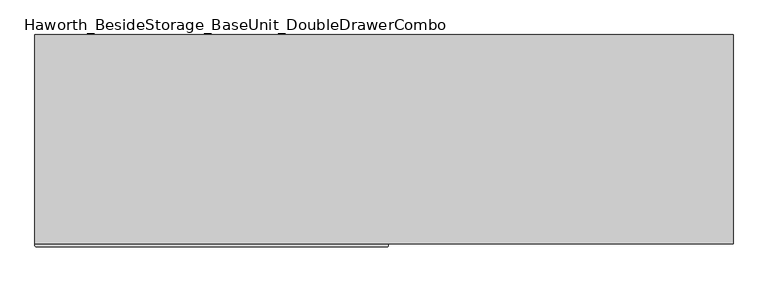
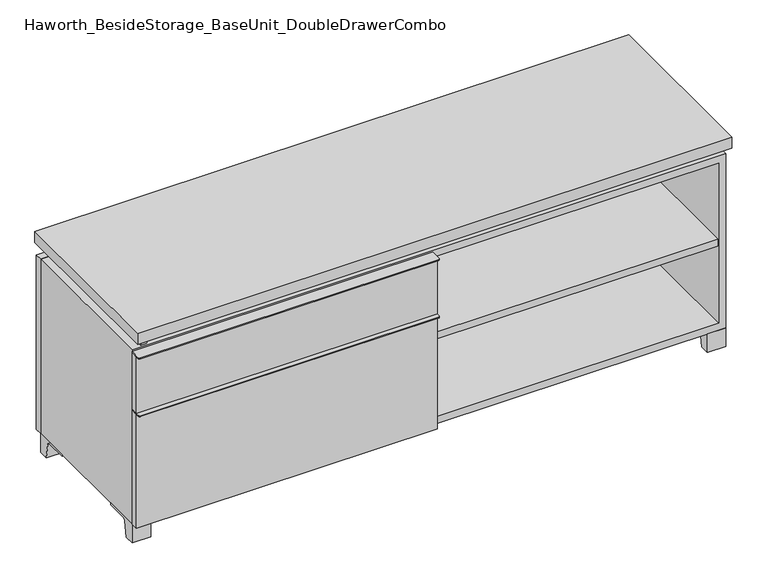
"""IFC4 building model written with IfcOpenShell, lengths in millimetres: furniture geometry, Haworth_BesideStorage_BaseUnit_DoubleDrawerCombo."""

from ifc_helpers import new_model, si_unit, point, frame, frame_2d, origin, place, context, project, spatial, polyline, circle_curve, trimmed, segment, composite_curve, outline, extrude, source, transform, mapped, element, save


def haworth_besidestorage_baseunit_doubledrawercombo_6de5e9db(model_context):
    return source(origin(), model_context, "Body", "SweptSolid", [
        extrude(outline(polyline([(-9.5111094, 234.95), (-9.5111094, -136.525), (-742.9361094, -136.525), (-742.9361094, 234.95), (-9.5111094, 234.95)])), frame((0.0, 0.0, 354.0125), z_axis=(0.0, 0.0, 1.0), x_axis=(1.0, 0.0, 0.0)), (0.0, 0.0, 1.0), 19.05),
        extrude(outline(composite_curve([segment(polyline([(9.5388906, -139.7), (9.5388906, -168.275)]), True, "CONTINUOUS"), segment(trimmed(circle_curve(frame_2d((6.3638906, -168.275)), 3.175), [point((9.5388906, -168.275))], [point((6.3638906, -171.45))], False, "CARTESIAN"), True, "CONTINUOUS"), segment(polyline([(6.3638906, -171.45), (-758.8111094, -171.45)]), True, "CONTINUOUS"), segment(trimmed(circle_curve(frame_2d((-758.8111094, -168.275)), 3.175), [point((-758.8111094, -171.45))], [point((-761.9861094, -168.275))], False, "CARTESIAN"), True, "CONTINUOUS"), segment(polyline([(-761.9861094, -168.275), (-761.9861094, -139.7), (9.5388906, -139.7)]), True, "CONTINUOUS")], self_intersect=False)), frame((0.0, 0.0, 517.525), z_axis=(0.0, 0.0, 1.0), x_axis=(1.0, 0.0, 0.0)), (0.0, 0.0, 1.0), 2.38125),
        extrude(outline(polyline([(9.5388906, -139.7), (9.5388906, -158.75), (-761.9861094, -158.75), (-761.9861094, -139.7), (9.5388906, -139.7)])), frame((0.0, 0.0, 363.5375), z_axis=(0.0, 0.0, 1.0), x_axis=(1.0, 0.0, 0.0)), (0.0, 0.0, 1.0), 153.9875),
        extrude(outline(composite_curve([segment(polyline([(9.5388906, -139.7), (9.5388906, -168.275)]), True, "CONTINUOUS"), segment(trimmed(circle_curve(frame_2d((6.3638906, -168.275)), 3.175), [point((9.5388906, -168.275))], [point((6.3638906, -171.45))], False, "CARTESIAN"), True, "CONTINUOUS"), segment(polyline([(6.3638906, -171.45), (-758.8111094, -171.45)]), True, "CONTINUOUS"), segment(trimmed(circle_curve(frame_2d((-758.8111094, -168.275)), 3.175), [point((-758.8111094, -171.45))], [point((-761.9861094, -168.275))], False, "CARTESIAN"), True, "CONTINUOUS"), segment(polyline([(-761.9861094, -168.275), (-761.9861094, -139.7), (9.5388906, -139.7)]), True, "CONTINUOUS")], self_intersect=False)), frame((0.0, 0.0, 361.15625), z_axis=(0.0, 0.0, 1.0), x_axis=(1.0, 0.0, 0.0)), (0.0, 0.0, 1.0), 2.38125),
        extrude(outline(polyline([(9.5388906, -139.7), (9.5388906, -158.75), (-761.9861094, -158.75), (-761.9861094, -139.7), (9.5388906, -139.7)])), frame((0.0, 0.0, 50.8), z_axis=(0.0, 0.0, 1.0), x_axis=(1.0, 0.0, 0.0)), (0.0, 0.0, 1.0), 310.35625),
        extrude(outline(polyline([(742.9569453, 234.95), (742.9569453, -136.525), (9.5319453, -136.525), (9.5319453, 234.95), (742.9569453, 234.95)])), frame((0.0, 0.0, 277.8125), z_axis=(0.0, 0.0, 1.0), x_axis=(1.0, 0.0, 0.0)), (0.0, 0.0, 1.0), 19.05),
        extrude(outline(composite_curve([segment(polyline([(53.9749864, 0.0), (28.575, 0.0), (28.575, 50.8), (123.825, 50.8), (123.825, 46.0213321), (67.0244655, 46.0213321)]), True, "CONTINUOUS"), segment(trimmed(circle_curve(frame_2d((67.0244655, 39.6713321)), 6.35), [point((67.0244655, 46.0213321))], [point((60.7608641, 40.7152656))], True, "CARTESIAN"), True, "CONTINUOUS"), segment(polyline([(60.7608641, 40.7152656), (53.9749864, 0.0)]), True, "CONTINUOUS")], self_intersect=False)), frame((-23.7986094, 0.0, 0.0), z_axis=(1.0, 0.0, 0.0), x_axis=(0.0, 1.0, 0.0)), (0.0, 0.0, 1.0), 47.625),
        extrude(outline(polyline([(762.0138906, 292.1), (762.0138906, -165.1), (-761.9861094, -165.1), (-761.9861094, 292.1), (762.0138906, 292.1)])), frame((0.0, 0.0, 554.0375), z_axis=(0.0, 0.0, 1.0), x_axis=(1.0, 0.0, 0.0)), (0.0, 0.0, 1.0), 30.1625),
        extrude(outline(composite_curve([segment(polyline([(-114.3000136, 0.0), (-139.7, 0.0), (-139.7, 50.8), (-44.45, 50.8), (-44.45, 46.0213321), (-101.2505345, 46.0213321)]), True, "CONTINUOUS"), segment(trimmed(circle_curve(frame_2d((-101.2505345, 39.6713321)), 6.35), [point((-101.2505345, 46.0213321))], [point((-107.5141359, 40.7152656))], True, "CARTESIAN"), True, "CONTINUOUS"), segment(polyline([(-107.5141359, 40.7152656), (-114.3000136, 0.0)]), True, "CONTINUOUS")], self_intersect=False)), frame((714.3888906, 0.0, 0.0), z_axis=(1.0, 0.0, 0.0), x_axis=(0.0, 1.0, 0.0)), (0.0, 0.0, 1.0), 47.625),
        extrude(outline(composite_curve([segment(polyline([(241.3000136, 0.0), (234.5141359, 40.7152656)]), True, "CONTINUOUS"), segment(trimmed(circle_curve(frame_2d((228.2505345, 39.6713321)), 6.35), [point((234.5141359, 40.7152656))], [point((228.2505345, 46.0213321))], True, "CARTESIAN"), True, "CONTINUOUS"), segment(polyline([(228.2505345, 46.0213321), (171.45, 46.0213321), (171.45, 50.8), (266.7, 50.8), (266.7, 0.0), (241.3000136, 0.0)]), True, "CONTINUOUS")], self_intersect=False)), frame((714.3888906, 0.0, 0.0), z_axis=(1.0, 0.0, 0.0), x_axis=(0.0, 1.0, 0.0)), (0.0, 0.0, 1.0), 47.625),
        extrude(outline(composite_curve([segment(polyline([(-114.3000136, 0.0), (-139.7, 0.0), (-139.7, 50.8), (-44.45, 50.8), (-44.45, 46.0213321), (-101.2505345, 46.0213321)]), True, "CONTINUOUS"), segment(trimmed(circle_curve(frame_2d((-101.2505345, 39.6713321)), 6.35), [point((-101.2505345, 46.0213321))], [point((-107.5141359, 40.7152656))], True, "CARTESIAN"), True, "CONTINUOUS"), segment(polyline([(-107.5141359, 40.7152656), (-114.3000136, 0.0)]), True, "CONTINUOUS")], self_intersect=False)), frame((-761.9861094, 0.0, 0.0), z_axis=(1.0, 0.0, 0.0), x_axis=(0.0, 1.0, 0.0)), (0.0, 0.0, 1.0), 47.625),
        extrude(outline(composite_curve([segment(polyline([(241.3000136, 0.0), (234.5141359, 40.7152656)]), True, "CONTINUOUS"), segment(trimmed(circle_curve(frame_2d((228.2505345, 39.6713321)), 6.35), [point((234.5141359, 40.7152656))], [point((228.2505345, 46.0213321))], True, "CARTESIAN"), True, "CONTINUOUS"), segment(polyline([(228.2505345, 46.0213321), (171.45, 46.0213321), (171.45, 50.8), (266.7, 50.8), (266.7, 0.0), (241.3000136, 0.0)]), True, "CONTINUOUS")], self_intersect=False)), frame((-761.9861094, 0.0, 0.0), z_axis=(1.0, 0.0, 0.0), x_axis=(0.0, 1.0, 0.0)), (0.0, 0.0, 1.0), 47.625),
        extrude(outline(polyline([(-736.5791641, -133.35), (-736.5791641, 234.95), (-720.7041641, 234.95), (-720.7041641, 73.025), (-7.9236094, 73.025), (-7.9236094, 247.65), (7.9513906, 247.65), (7.9513906, 73.025), (720.7111094, 73.025), (720.7111094, 247.65), (736.5861094, 247.65), (736.5861094, -120.65), (720.7111094, -120.65), (720.7111094, 53.975), (7.9513906, 53.975), (7.9513906, -120.65), (-7.9236094, -120.65), (-7.9236094, 53.975), (-720.7041641, 53.975), (-720.7041641, -133.35), (-736.5791641, -133.35)])), frame((0.0, 0.0, 523.875), z_axis=(0.0, 0.0, 1.0), x_axis=(1.0, 0.0, 0.0)), (0.0, 0.0, 1.0), 30.1625),
        extrude(outline(polyline([(9.5388906, 234.95), (9.5388906, -139.7), (-9.5111094, -139.7), (-9.5111094, 234.95), (9.5388906, 234.95)])), frame((0.0, 0.0, 69.85), z_axis=(0.0, 0.0, 1.0), x_axis=(1.0, 0.0, 0.0)), (0.0, 0.0, 1.0), 434.975),
        extrude(outline(polyline([(762.0138906, 266.7), (-761.9861094, 266.7), (-761.9861094, 285.75), (762.0138906, 285.75), (762.0138906, 266.7)])), frame((0.0, 0.0, 50.8), z_axis=(0.0, 0.0, 1.0), x_axis=(1.0, 0.0, 0.0)), (0.0, 0.0, 1.0), 473.075),
        extrude(outline(polyline([(50.8, -761.9861094), (50.8, 762.0), (523.875, 762.0), (523.875, -761.9861094), (50.8, -761.9861094)]), holes=[polyline([(69.85, -742.9361094), (504.825, -742.9361094), (504.825, 742.9361094), (69.85, 742.9361094), (69.85, -742.9361094)])]), frame((0.0, -139.7, 0.0), z_axis=(0.0, 1.0, 0.0), x_axis=(0.0, 0.0, 1.0)), (0.0, 0.0, 1.0), 406.4),
        extrude(outline(polyline([(-742.9291641, 234.95), (-742.9291641, 241.3), (742.9569453, 241.3), (742.9569453, 234.95), (-742.9291641, 234.95)])), frame((0.0, 0.0, 69.85), z_axis=(0.0, 0.0, 1.0), x_axis=(1.0, 0.0, 0.0)), (0.0, 0.0, 1.0), 434.975),
    ])


if __name__ == "__main__":
    model = new_model("IFC4")
    model_context = context("Model", 3, world=origin())
    ifc_project = project(units=[si_unit("LENGTHUNIT", "METRE", prefix="MILLI")], contexts=[model_context])
    site = spatial("IfcSite", under=ifc_project)
    building = spatial("IfcBuilding", under=site)
    placement = place(None, origin())
    haworth_besidestorage_baseunit_doubledrawercombo_shape = haworth_besidestorage_baseunit_doubledrawercombo_6de5e9db(model_context)
    element("IfcFurniture", 1, ObjectType="Haworth_BesideStorage_BaseUnit_DoubleDrawerCombo", at=placement, inside=building, context=model_context, shape_type="MappedRepresentation", body=[
        mapped(haworth_besidestorage_baseunit_doubledrawercombo_shape, transform((0.0, 0.0, 0.0), x_axis=(1.0, 0.0, 0.0), y_axis=(0.0, 1.0, 0.0), z_axis=(0.0, 0.0, 1.0))),
    ])
    save(model, "model.ifc")
